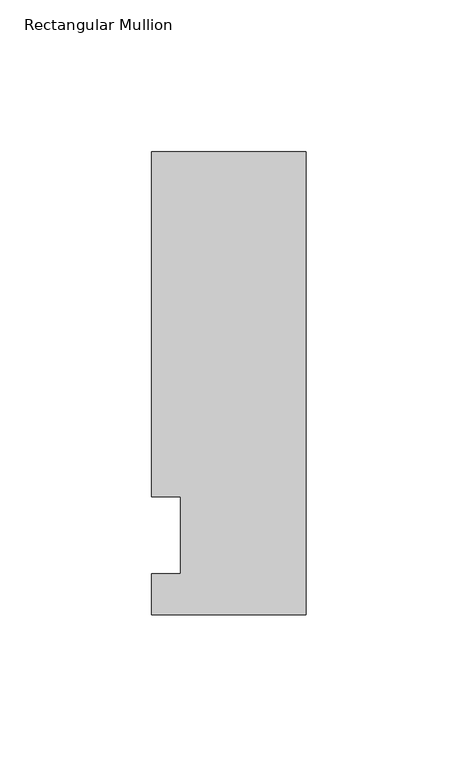
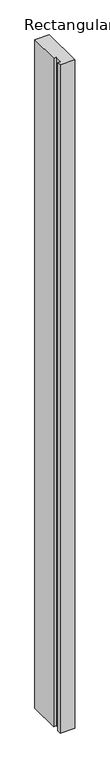
"""IFC4 building model written with IfcOpenShell, lengths in millimetres: member geometry, Rectangular Mullion."""

from ifc_helpers import new_model, si_unit, frame, origin, place, context, project, spatial, polyline, outline, extrude, source, transform, mapped, element, save


def rectangular_mullion_85a38b84(model_context):
    return source(origin(), model_context, "Body", "SweptSolid", [
        extrude(outline(polyline([(0.0, -26.19375), (-50.8, -26.19375), (-50.8, -12.7), (-41.275, -12.7), (-41.275, 12.7), (-50.8, 12.7), (-50.8, 126.20625), (0.0, 126.20625), (0.0, -26.19375)])), frame((0.0, 0.0, -2463.8), z_axis=(0.0, 0.0, 1.0), x_axis=(1.0, 0.0, 0.0)), (0.0, 0.0, 1.0), 2463.8),
    ])


if __name__ == "__main__":
    model = new_model("IFC4")
    model_context = context("Model", 3, world=origin())
    ifc_project = project(units=[si_unit("LENGTHUNIT", "METRE", prefix="MILLI")], contexts=[model_context])
    site = spatial("IfcSite", under=ifc_project)
    building = spatial("IfcBuilding", under=site)
    placement = place(None, origin())
    rectangular_mullion_shape = rectangular_mullion_85a38b84(model_context)
    element("IfcMember", 1, ObjectType="Rectangular Mullion", at=placement, inside=building, context=model_context, shape_type="MappedRepresentation", body=[
        mapped(rectangular_mullion_shape, transform((0.0, 0.0, 0.0), x_axis=(1.0, 0.0, 0.0), y_axis=(0.0, 1.0, 0.0), z_axis=(0.0, 0.0, 1.0))),
    ])
    save(model, "model.ifc")
